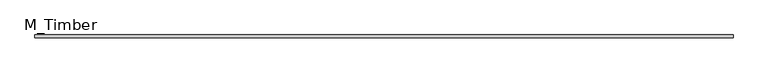
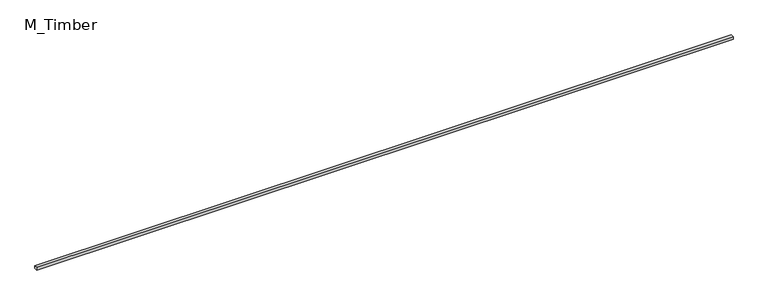
"""IFC4 building model written with IfcOpenShell, lengths in millimetres: beam geometry, M_Timber."""

from ifc_helpers import new_model, si_unit, frame, origin, place, context, project, spatial, polyline, outline, extrude, source, transform, mapped, element, save


def m_timber_688d713e(model_context):
    return source(origin(), model_context, "Body", "SweptSolid", [
        extrude(outline(polyline([(7081.3730948, 30.0), (7081.3730948, -30.0), (-7081.3730948, -30.0), (-7081.3730948, 30.0), (7081.3730948, 30.0)])), frame((0.0, 0.0, -30.0), z_axis=(0.0, 0.0, 1.0), x_axis=(1.0, 0.0, 0.0)), (0.0, 0.0, 1.0), 60.0),
    ])


if __name__ == "__main__":
    model = new_model("IFC4")
    model_context = context("Model", 3, world=origin())
    ifc_project = project(units=[si_unit("LENGTHUNIT", "METRE", prefix="MILLI")], contexts=[model_context])
    site = spatial("IfcSite", under=ifc_project)
    building = spatial("IfcBuilding", under=site)
    placement = place(None, origin())
    m_timber_shape = m_timber_688d713e(model_context)
    element("IfcBeam", 1, ObjectType="M_Timber", at=placement, inside=building, context=model_context, shape_type="MappedRepresentation", body=[
        mapped(m_timber_shape, transform((0.0, 0.0, 0.0), x_axis=(1.0, 0.0, 0.0), y_axis=(0.0, 1.0, 0.0), z_axis=(0.0, 0.0, 1.0))),
    ])
    save(model, "model.ifc")
